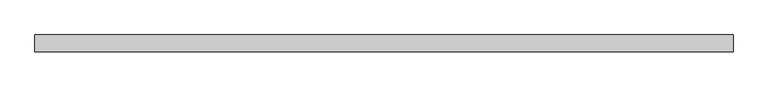
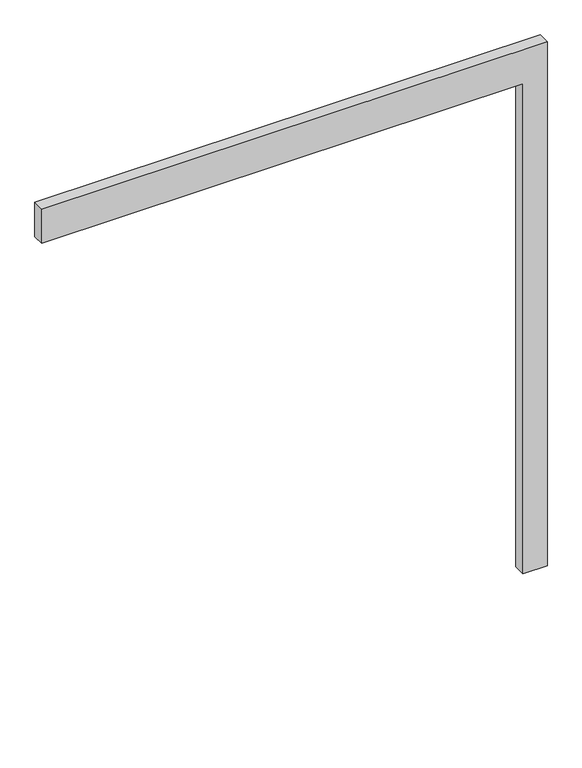
"""IFC4 building model written with IfcOpenShell, lengths in millimetres: proxy geometry."""

from ifc_helpers import new_model, si_unit, frame, origin, place, context, project, spatial, polyline, outline, extrude, source, transform, mapped, element, save


def generic_models_962c761e(model_context):
    return source(origin(), model_context, "Body", "SweptSolid", [
        extrude(outline(polyline([(2150.0, -2000.0), (2150.0, 0.0), (0.0, 0.0), (0.0, 100.0), (2300.0, 100.0), (2300.0, -2000.0), (2150.0, -2000.0)])), frame((0.0, -50.0, 0.0), z_axis=(0.0, 1.0, 0.0), x_axis=(0.0, 0.0, 1.0)), (0.0, 0.0, 1.0), 50.0),
    ])


if __name__ == "__main__":
    model = new_model("IFC4")
    model_context = context("Model", 3, world=origin())
    ifc_project = project(units=[si_unit("LENGTHUNIT", "METRE", prefix="MILLI")], contexts=[model_context])
    site = spatial("IfcSite", under=ifc_project)
    building = spatial("IfcBuilding", under=site)
    placement = place(None, origin())
    generic_models_shape = generic_models_962c761e(model_context)
    element("IfcBuildingElementProxy", 1, Name="Generic Models", at=placement, inside=building, context=model_context, shape_type="MappedRepresentation", body=[
        mapped(generic_models_shape, transform((0.0, 0.0, 0.0), x_axis=(1.0, 0.0, 0.0), y_axis=(0.0, 1.0, 0.0), z_axis=(0.0, 0.0, 1.0))),
    ])
    save(model, "model.ifc")
